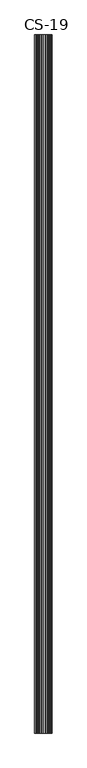
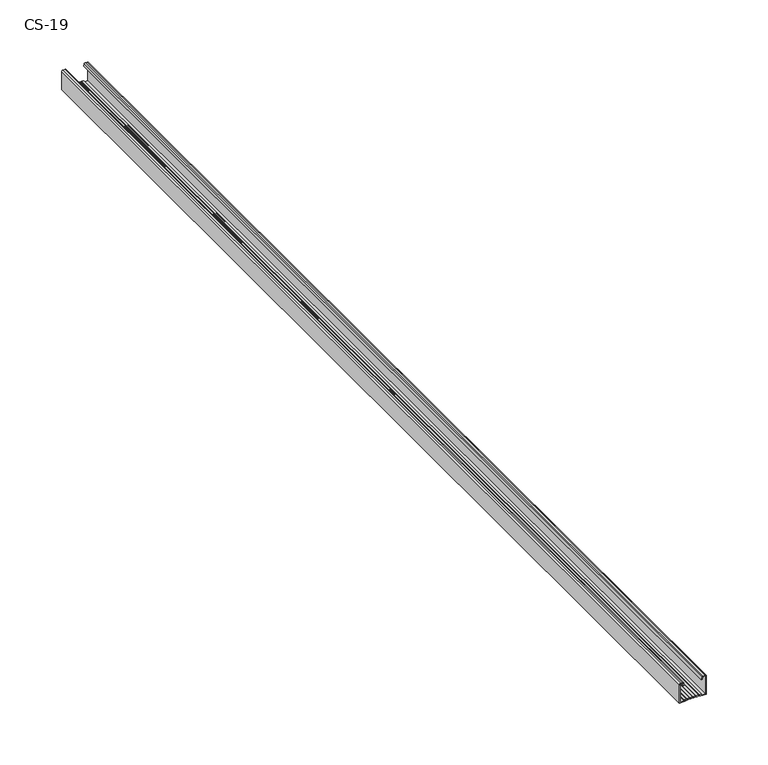
"""IFC4 building model written with IfcOpenShell, lengths in millimetres: proxy geometry, CS-19."""

from ifc_helpers import new_model, si_unit, point, frame, frame_2d, origin, place, context, project, spatial, polyline, circle_curve, trimmed, segment, composite_curve, outline, extrude, source, transform, mapped, element, save


def cs_19_eedad562(model_context):
    return source(origin(), model_context, "Body", "SweptSolid", [
        extrude(outline(composite_curve([segment(polyline([(-19.0, -12.5), (-19.0, -7.6), (-17.7, -7.6), (-17.7, -6.8), (-18.5, -6.8), (-18.5, -4.7), (-17.7, -4.7), (-17.7, -3.9), (-18.5, -3.9), (-18.5, -1.8), (-17.7, -1.8), (-17.7, -1.0), (-18.5, -1.0), (-18.5, 1.0), (-17.7, 1.0), (-17.7, 1.8), (-18.5, 1.8), (-18.5, 3.9), (-17.7, 3.9), (-17.7, 4.7), (-18.5, 4.7), (-18.5, 6.8), (-17.7, 6.8), (-17.7, 7.6), (-19.0, 7.6), (-19.0, 12.5), (-1.0, 12.5)]), True, "CONTINUOUS"), segment(trimmed(circle_curve(frame_2d((-1.0, 11.5)), 1.0), [point((-1.0, 12.5))], [point((0.0, 11.5))], False, "CARTESIAN"), True, "CONTINUOUS"), segment(polyline([(0.0, 11.5), (0.0, 9.2778679)]), True, "CONTINUOUS"), segment(trimmed(circle_curve(frame_2d((-0.7947911, 9.3690108)), 0.8), [point((0.0, 9.2778679))], [point((-0.4479055, 8.6481292))], False, "CARTESIAN"), True, "CONTINUOUS"), segment(polyline([(-0.4479055, 8.6481292), (-2.9940841, 8.0), (-3.1346768, 8.7973409), (-0.5, 9.1466568), (-0.5, 11.5)]), True, "CONTINUOUS"), segment(trimmed(circle_curve(frame_2d((-1.0, 11.5)), 0.5), [point((-0.5, 11.5))], [point((-1.0, 12.0))], True, "CARTESIAN"), True, "CONTINUOUS"), segment(polyline([(-1.0, 12.0), (-18.5, 12.0), (-18.5, 8.0671937), (-17.2, 8.0671937), (-17.2, 6.3), (-18.0, 6.3), (-18.0, 5.2), (-17.2, 5.2), (-17.2, 3.4), (-18.0, 3.4), (-18.0, 2.3), (-17.2, 2.3), (-17.2, 0.5), (-18.0, 0.5), (-18.0, -0.5), (-17.2, -0.5), (-17.2, -2.3), (-18.0, -2.3), (-18.0, -3.4), (-17.2, -3.4), (-17.2, -5.2), (-18.0, -5.2), (-18.0, -6.3), (-17.2, -6.3), (-17.2, -8.1), (-18.5, -8.1), (-18.5, -12.0), (-1.0, -12.0)]), True, "CONTINUOUS"), segment(trimmed(circle_curve(frame_2d((-1.0, -11.5)), 0.5), [point((-1.0, -12.0))], [point((-0.5, -11.5))], True, "CARTESIAN"), True, "CONTINUOUS"), segment(polyline([(-0.5, -11.5), (-0.5, -9.1466568), (-3.1346768, -8.7973409), (-2.9940841, -8.0), (-0.4479055, -8.6481292)]), True, "CONTINUOUS"), segment(trimmed(circle_curve(frame_2d((-0.7947911, -9.3690108)), 0.8), [point((-0.4479055, -8.6481292))], [point((0.0, -9.2778679))], False, "CARTESIAN"), True, "CONTINUOUS"), segment(polyline([(0.0, -9.2778679), (0.0, -11.5)]), True, "CONTINUOUS"), segment(trimmed(circle_curve(frame_2d((-1.0, -11.5)), 1.0), [point((0.0, -11.5))], [point((-1.0, -12.5))], False, "CARTESIAN"), True, "CONTINUOUS"), segment(polyline([(-1.0, -12.5), (-19.0, -12.5)]), True, "CONTINUOUS")], self_intersect=False)), frame((0.0, 0.0, 0.0), z_axis=(0.0, 1.0, 0.0), x_axis=(0.0, 0.0, 1.0)), (0.0, 0.0, 1.0), 1000.0),
    ])


if __name__ == "__main__":
    model = new_model("IFC4")
    model_context = context("Model", 3, world=origin())
    ifc_project = project(units=[si_unit("LENGTHUNIT", "METRE", prefix="MILLI")], contexts=[model_context])
    site = spatial("IfcSite", under=ifc_project)
    building = spatial("IfcBuilding", under=site)
    placement = place(None, origin())
    cs_19_shape = cs_19_eedad562(model_context)
    element("IfcBuildingElementProxy", 1, Name="CS-19", ObjectType="CS-19", at=placement, inside=building, context=model_context, shape_type="MappedRepresentation", body=[
        mapped(cs_19_shape, transform((0.0, 0.0, 0.0), x_axis=(1.0, 0.0, 0.0), y_axis=(0.0, 1.0, 0.0), z_axis=(0.0, 0.0, 1.0))),
    ])
    save(model, "model.ifc")
